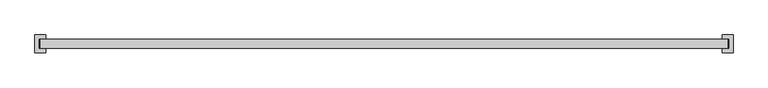
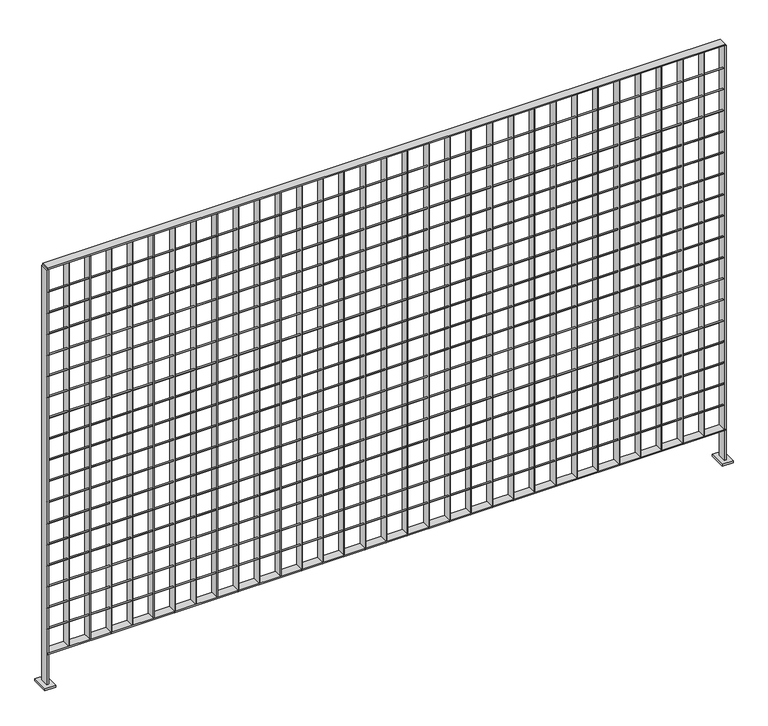
"""IFC4 building model written with IfcOpenShell, lengths in millimetres: railing geometry."""

from ifc_helpers import new_model, si_unit, point, frame, frame_2d, origin, place, context, project, spatial, polyline, circle_curve, trimmed, segment, composite_curve, outline, extrude, source, transform, mapped, element, save


def railing_413f50ad(model_context):
    return source(origin(), model_context, "Body", "SweptSolid", [
        extrude(outline(polyline([(-21413.3484548, -1094.0014627), (-21413.3484548, -1068.6014627), (-19432.1484548, -1068.6014627), (-19432.1484548, -1094.0014627), (-21413.3484548, -1094.0014627)])), frame((0.0, 0.0, 7718.510725), z_axis=(0.0, 0.0, 1.0), x_axis=(1.0, 0.0, 0.0)), (0.0, 0.0, 1.0), 3.7973),
        extrude(outline(composite_curve([segment(trimmed(circle_curve(frame_2d((-1087.6514627, 7794.625)), 2.0574), [point((-1085.5940627, 7794.625))], [point((-1089.7088627, 7794.625))], False, "CARTESIAN"), True, "CONTINUOUS"), segment(trimmed(circle_curve(frame_2d((-1087.6514627, 7794.625)), 2.0574), [point((-1089.7088627, 7794.625))], [point((-1085.5940627, 7794.625))], False, "CARTESIAN"), True, "CONTINUOUS")], self_intersect=False)), frame((-21413.3484548, 0.0, 0.0), z_axis=(1.0, 0.0, 0.0), x_axis=(0.0, 1.0, 0.0)), (0.0, 0.0, 1.0), 1981.2),
        extrude(outline(composite_curve([segment(trimmed(circle_curve(frame_2d((-1087.6514627, 7859.7125)), 2.0574), [point((-1085.5940627, 7859.7125))], [point((-1089.7088627, 7859.7125))], False, "CARTESIAN"), True, "CONTINUOUS"), segment(trimmed(circle_curve(frame_2d((-1087.6514627, 7859.7125)), 2.0574), [point((-1089.7088627, 7859.7125))], [point((-1085.5940627, 7859.7125))], False, "CARTESIAN"), True, "CONTINUOUS")], self_intersect=False)), frame((-21413.3484548, 0.0, 0.0), z_axis=(1.0, 0.0, 0.0), x_axis=(0.0, 1.0, 0.0)), (0.0, 0.0, 1.0), 1981.2),
        extrude(outline(composite_curve([segment(trimmed(circle_curve(frame_2d((-1087.6514627, 7924.8)), 2.0574), [point((-1085.5940627, 7924.8))], [point((-1089.7088627, 7924.8))], False, "CARTESIAN"), True, "CONTINUOUS"), segment(trimmed(circle_curve(frame_2d((-1087.6514627, 7924.8)), 2.0574), [point((-1089.7088627, 7924.8))], [point((-1085.5940627, 7924.8))], False, "CARTESIAN"), True, "CONTINUOUS")], self_intersect=False)), frame((-21413.3484548, 0.0, 0.0), z_axis=(1.0, 0.0, 0.0), x_axis=(0.0, 1.0, 0.0)), (0.0, 0.0, 1.0), 1981.2),
        extrude(outline(composite_curve([segment(trimmed(circle_curve(frame_2d((-1087.6514627, 7989.8875)), 2.0574), [point((-1085.5940627, 7989.8875))], [point((-1089.7088627, 7989.8875))], False, "CARTESIAN"), True, "CONTINUOUS"), segment(trimmed(circle_curve(frame_2d((-1087.6514627, 7989.8875)), 2.0574), [point((-1089.7088627, 7989.8875))], [point((-1085.5940627, 7989.8875))], False, "CARTESIAN"), True, "CONTINUOUS")], self_intersect=False)), frame((-21413.3484548, 0.0, 0.0), z_axis=(1.0, 0.0, 0.0), x_axis=(0.0, 1.0, 0.0)), (0.0, 0.0, 1.0), 1981.2),
        extrude(outline(composite_curve([segment(trimmed(circle_curve(frame_2d((-1087.6514627, 8054.975)), 2.0574), [point((-1085.5940627, 8054.975))], [point((-1089.7088627, 8054.975))], False, "CARTESIAN"), True, "CONTINUOUS"), segment(trimmed(circle_curve(frame_2d((-1087.6514627, 8054.975)), 2.0574), [point((-1089.7088627, 8054.975))], [point((-1085.5940627, 8054.975))], False, "CARTESIAN"), True, "CONTINUOUS")], self_intersect=False)), frame((-21413.3484548, 0.0, 0.0), z_axis=(1.0, 0.0, 0.0), x_axis=(0.0, 1.0, 0.0)), (0.0, 0.0, 1.0), 1981.2),
        extrude(outline(composite_curve([segment(trimmed(circle_curve(frame_2d((-1087.6514627, 8120.0625)), 2.0574), [point((-1085.5940627, 8120.0625))], [point((-1089.7088627, 8120.0625))], False, "CARTESIAN"), True, "CONTINUOUS"), segment(trimmed(circle_curve(frame_2d((-1087.6514627, 8120.0625)), 2.0574), [point((-1089.7088627, 8120.0625))], [point((-1085.5940627, 8120.0625))], False, "CARTESIAN"), True, "CONTINUOUS")], self_intersect=False)), frame((-21413.3484548, 0.0, 0.0), z_axis=(1.0, 0.0, 0.0), x_axis=(0.0, 1.0, 0.0)), (0.0, 0.0, 1.0), 1981.2),
        extrude(outline(composite_curve([segment(trimmed(circle_curve(frame_2d((-1087.6514627, 8185.15)), 2.0574), [point((-1085.5940627, 8185.15))], [point((-1089.7088627, 8185.15))], False, "CARTESIAN"), True, "CONTINUOUS"), segment(trimmed(circle_curve(frame_2d((-1087.6514627, 8185.15)), 2.0574), [point((-1089.7088627, 8185.15))], [point((-1085.5940627, 8185.15))], False, "CARTESIAN"), True, "CONTINUOUS")], self_intersect=False)), frame((-21413.3484548, 0.0, 0.0), z_axis=(1.0, 0.0, 0.0), x_axis=(0.0, 1.0, 0.0)), (0.0, 0.0, 1.0), 1981.2),
        extrude(outline(composite_curve([segment(trimmed(circle_curve(frame_2d((-1087.6514627, 8250.2375)), 2.0574), [point((-1085.5940627, 8250.2375))], [point((-1089.7088627, 8250.2375))], False, "CARTESIAN"), True, "CONTINUOUS"), segment(trimmed(circle_curve(frame_2d((-1087.6514627, 8250.2375)), 2.0574), [point((-1089.7088627, 8250.2375))], [point((-1085.5940627, 8250.2375))], False, "CARTESIAN"), True, "CONTINUOUS")], self_intersect=False)), frame((-21413.3484548, 0.0, 0.0), z_axis=(1.0, 0.0, 0.0), x_axis=(0.0, 1.0, 0.0)), (0.0, 0.0, 1.0), 1981.2),
        extrude(outline(composite_curve([segment(trimmed(circle_curve(frame_2d((-1087.6514627, 8315.325)), 2.0574), [point((-1085.5940627, 8315.325))], [point((-1089.7088627, 8315.325))], False, "CARTESIAN"), True, "CONTINUOUS"), segment(trimmed(circle_curve(frame_2d((-1087.6514627, 8315.325)), 2.0574), [point((-1089.7088627, 8315.325))], [point((-1085.5940627, 8315.325))], False, "CARTESIAN"), True, "CONTINUOUS")], self_intersect=False)), frame((-21413.3484548, 0.0, 0.0), z_axis=(1.0, 0.0, 0.0), x_axis=(0.0, 1.0, 0.0)), (0.0, 0.0, 1.0), 1981.2),
        extrude(outline(composite_curve([segment(trimmed(circle_curve(frame_2d((-1087.6514627, 8380.4125)), 2.0574), [point((-1085.5940627, 8380.4125))], [point((-1089.7088627, 8380.4125))], False, "CARTESIAN"), True, "CONTINUOUS"), segment(trimmed(circle_curve(frame_2d((-1087.6514627, 8380.4125)), 2.0574), [point((-1089.7088627, 8380.4125))], [point((-1085.5940627, 8380.4125))], False, "CARTESIAN"), True, "CONTINUOUS")], self_intersect=False)), frame((-21413.3484548, 0.0, 0.0), z_axis=(1.0, 0.0, 0.0), x_axis=(0.0, 1.0, 0.0)), (0.0, 0.0, 1.0), 1981.2),
        extrude(outline(composite_curve([segment(trimmed(circle_curve(frame_2d((-1087.6514627, 8445.5)), 2.0574), [point((-1085.5940627, 8445.5))], [point((-1089.7088627, 8445.5))], False, "CARTESIAN"), True, "CONTINUOUS"), segment(trimmed(circle_curve(frame_2d((-1087.6514627, 8445.5)), 2.0574), [point((-1089.7088627, 8445.5))], [point((-1085.5940627, 8445.5))], False, "CARTESIAN"), True, "CONTINUOUS")], self_intersect=False)), frame((-21413.3484548, 0.0, 0.0), z_axis=(1.0, 0.0, 0.0), x_axis=(0.0, 1.0, 0.0)), (0.0, 0.0, 1.0), 1981.2),
        extrude(outline(composite_curve([segment(trimmed(circle_curve(frame_2d((-1087.6514627, 8510.5875)), 2.0574), [point((-1085.5940627, 8510.5875))], [point((-1089.7088627, 8510.5875))], False, "CARTESIAN"), True, "CONTINUOUS"), segment(trimmed(circle_curve(frame_2d((-1087.6514627, 8510.5875)), 2.0574), [point((-1089.7088627, 8510.5875))], [point((-1085.5940627, 8510.5875))], False, "CARTESIAN"), True, "CONTINUOUS")], self_intersect=False)), frame((-21413.3484548, 0.0, 0.0), z_axis=(1.0, 0.0, 0.0), x_axis=(0.0, 1.0, 0.0)), (0.0, 0.0, 1.0), 1981.2),
        extrude(outline(composite_curve([segment(trimmed(circle_curve(frame_2d((-1087.6514627, 8575.675)), 2.0574), [point((-1085.5940627, 8575.675))], [point((-1089.7088627, 8575.675))], False, "CARTESIAN"), True, "CONTINUOUS"), segment(trimmed(circle_curve(frame_2d((-1087.6514627, 8575.675)), 2.0574), [point((-1089.7088627, 8575.675))], [point((-1085.5940627, 8575.675))], False, "CARTESIAN"), True, "CONTINUOUS")], self_intersect=False)), frame((-21413.3484548, 0.0, 0.0), z_axis=(1.0, 0.0, 0.0), x_axis=(0.0, 1.0, 0.0)), (0.0, 0.0, 1.0), 1981.2),
        extrude(outline(composite_curve([segment(trimmed(circle_curve(frame_2d((-1087.6514627, 8640.7625)), 2.0574), [point((-1085.5940627, 8640.7625))], [point((-1089.7088627, 8640.7625))], False, "CARTESIAN"), True, "CONTINUOUS"), segment(trimmed(circle_curve(frame_2d((-1087.6514627, 8640.7625)), 2.0574), [point((-1089.7088627, 8640.7625))], [point((-1085.5940627, 8640.7625))], False, "CARTESIAN"), True, "CONTINUOUS")], self_intersect=False)), frame((-21413.3484548, 0.0, 0.0), z_axis=(1.0, 0.0, 0.0), x_axis=(0.0, 1.0, 0.0)), (0.0, 0.0, 1.0), 1981.2),
        extrude(outline(composite_curve([segment(trimmed(circle_curve(frame_2d((-1087.6514627, 8705.85)), 2.0574), [point((-1085.5940627, 8705.85))], [point((-1089.7088627, 8705.85))], False, "CARTESIAN"), True, "CONTINUOUS"), segment(trimmed(circle_curve(frame_2d((-1087.6514627, 8705.85)), 2.0574), [point((-1089.7088627, 8705.85))], [point((-1085.5940627, 8705.85))], False, "CARTESIAN"), True, "CONTINUOUS")], self_intersect=False)), frame((-21413.3484548, 0.0, 0.0), z_axis=(1.0, 0.0, 0.0), x_axis=(0.0, 1.0, 0.0)), (0.0, 0.0, 1.0), 1981.2),
        extrude(outline(composite_curve([segment(trimmed(circle_curve(frame_2d((-1087.6514627, 8770.9375)), 2.0574), [point((-1085.5940627, 8770.9375))], [point((-1089.7088627, 8770.9375))], False, "CARTESIAN"), True, "CONTINUOUS"), segment(trimmed(circle_curve(frame_2d((-1087.6514627, 8770.9375)), 2.0574), [point((-1089.7088627, 8770.9375))], [point((-1085.5940627, 8770.9375))], False, "CARTESIAN"), True, "CONTINUOUS")], self_intersect=False)), frame((-21413.3484548, 0.0, 0.0), z_axis=(1.0, 0.0, 0.0), x_axis=(0.0, 1.0, 0.0)), (0.0, 0.0, 1.0), 1981.2),
        extrude(outline(composite_curve([segment(trimmed(circle_curve(frame_2d((-1087.6514627, 8836.025)), 2.0574), [point((-1085.5940627, 8836.025))], [point((-1089.7088627, 8836.025))], False, "CARTESIAN"), True, "CONTINUOUS"), segment(trimmed(circle_curve(frame_2d((-1087.6514627, 8836.025)), 2.0574), [point((-1089.7088627, 8836.025))], [point((-1085.5940627, 8836.025))], False, "CARTESIAN"), True, "CONTINUOUS")], self_intersect=False)), frame((-21413.3484548, 0.0, 0.0), z_axis=(1.0, 0.0, 0.0), x_axis=(0.0, 1.0, 0.0)), (0.0, 0.0, 1.0), 1981.2),
        extrude(outline(polyline([(-21413.3484548, -1094.0014627), (-21413.3484548, -1068.6014627), (-19432.1484548, -1068.6014627), (-19432.1484548, -1094.0014627), (-21413.3484548, -1094.0014627)])), frame((0.0, 0.0, 8908.73885), z_axis=(0.0, 0.0, 1.0), x_axis=(1.0, 0.0, 0.0)), (0.0, 0.0, 1.0), 3.7973),
        extrude(outline(polyline([(-19493.1122648, -1094.0014627), (-19495.0096448, -1094.0014627), (-19495.0096448, -1068.6014627), (-19493.1122648, -1068.6014627), (-19493.1122648, -1094.0014627)])), frame((0.0, 0.0, 7718.425), z_axis=(0.0, 0.0, 1.0), x_axis=(1.0, 0.0, 0.0)), (0.0, 0.0, 1.0), 1190.31385),
        extrude(outline(polyline([(-19555.0247648, -1094.0014627), (-19556.9221448, -1094.0014627), (-19556.9221448, -1068.6014627), (-19555.0247648, -1068.6014627), (-19555.0247648, -1094.0014627)])), frame((0.0, 0.0, 7718.425), z_axis=(0.0, 0.0, 1.0), x_axis=(1.0, 0.0, 0.0)), (0.0, 0.0, 1.0), 1190.31385),
        extrude(outline(polyline([(-19616.9372648, -1094.0014627), (-19618.8346448, -1094.0014627), (-19618.8346448, -1068.6014627), (-19616.9372648, -1068.6014627), (-19616.9372648, -1094.0014627)])), frame((0.0, 0.0, 7718.425), z_axis=(0.0, 0.0, 1.0), x_axis=(1.0, 0.0, 0.0)), (0.0, 0.0, 1.0), 1190.31385),
        extrude(outline(polyline([(-19678.8497648, -1094.0014627), (-19680.7471448, -1094.0014627), (-19680.7471448, -1068.6014627), (-19678.8497648, -1068.6014627), (-19678.8497648, -1094.0014627)])), frame((0.0, 0.0, 7718.425), z_axis=(0.0, 0.0, 1.0), x_axis=(1.0, 0.0, 0.0)), (0.0, 0.0, 1.0), 1190.31385),
        extrude(outline(polyline([(-19740.7622648, -1094.0014627), (-19742.6596448, -1094.0014627), (-19742.6596448, -1068.6014627), (-19740.7622648, -1068.6014627), (-19740.7622648, -1094.0014627)])), frame((0.0, 0.0, 7718.425), z_axis=(0.0, 0.0, 1.0), x_axis=(1.0, 0.0, 0.0)), (0.0, 0.0, 1.0), 1190.31385),
        extrude(outline(polyline([(-19802.6747648, -1094.0014627), (-19804.5721448, -1094.0014627), (-19804.5721448, -1068.6014627), (-19802.6747648, -1068.6014627), (-19802.6747648, -1094.0014627)])), frame((0.0, 0.0, 7718.425), z_axis=(0.0, 0.0, 1.0), x_axis=(1.0, 0.0, 0.0)), (0.0, 0.0, 1.0), 1190.31385),
        extrude(outline(polyline([(-19864.5872648, -1094.0014627), (-19866.4846448, -1094.0014627), (-19866.4846448, -1068.6014627), (-19864.5872648, -1068.6014627), (-19864.5872648, -1094.0014627)])), frame((0.0, 0.0, 7718.425), z_axis=(0.0, 0.0, 1.0), x_axis=(1.0, 0.0, 0.0)), (0.0, 0.0, 1.0), 1190.31385),
        extrude(outline(polyline([(-19926.4997648, -1094.0014627), (-19928.3971448, -1094.0014627), (-19928.3971448, -1068.6014627), (-19926.4997648, -1068.6014627), (-19926.4997648, -1094.0014627)])), frame((0.0, 0.0, 7718.425), z_axis=(0.0, 0.0, 1.0), x_axis=(1.0, 0.0, 0.0)), (0.0, 0.0, 1.0), 1190.31385),
        extrude(outline(polyline([(-19988.4122648, -1094.0014627), (-19990.3096448, -1094.0014627), (-19990.3096448, -1068.6014627), (-19988.4122648, -1068.6014627), (-19988.4122648, -1094.0014627)])), frame((0.0, 0.0, 7718.425), z_axis=(0.0, 0.0, 1.0), x_axis=(1.0, 0.0, 0.0)), (0.0, 0.0, 1.0), 1190.31385),
        extrude(outline(polyline([(-20050.3247648, -1094.0014627), (-20052.2221448, -1094.0014627), (-20052.2221448, -1068.6014627), (-20050.3247648, -1068.6014627), (-20050.3247648, -1094.0014627)])), frame((0.0, 0.0, 7718.425), z_axis=(0.0, 0.0, 1.0), x_axis=(1.0, 0.0, 0.0)), (0.0, 0.0, 1.0), 1190.31385),
        extrude(outline(polyline([(-20112.2372648, -1094.0014627), (-20114.1346448, -1094.0014627), (-20114.1346448, -1068.6014627), (-20112.2372648, -1068.6014627), (-20112.2372648, -1094.0014627)])), frame((0.0, 0.0, 7718.425), z_axis=(0.0, 0.0, 1.0), x_axis=(1.0, 0.0, 0.0)), (0.0, 0.0, 1.0), 1190.31385),
        extrude(outline(polyline([(-20174.1497648, -1094.0014627), (-20176.0471448, -1094.0014627), (-20176.0471448, -1068.6014627), (-20174.1497648, -1068.6014627), (-20174.1497648, -1094.0014627)])), frame((0.0, 0.0, 7718.425), z_axis=(0.0, 0.0, 1.0), x_axis=(1.0, 0.0, 0.0)), (0.0, 0.0, 1.0), 1190.31385),
        extrude(outline(polyline([(-20236.0622648, -1094.0014627), (-20237.9596448, -1094.0014627), (-20237.9596448, -1068.6014627), (-20236.0622648, -1068.6014627), (-20236.0622648, -1094.0014627)])), frame((0.0, 0.0, 7718.425), z_axis=(0.0, 0.0, 1.0), x_axis=(1.0, 0.0, 0.0)), (0.0, 0.0, 1.0), 1190.31385),
        extrude(outline(polyline([(-20297.9747648, -1094.0014627), (-20299.8721448, -1094.0014627), (-20299.8721448, -1068.6014627), (-20297.9747648, -1068.6014627), (-20297.9747648, -1094.0014627)])), frame((0.0, 0.0, 7718.425), z_axis=(0.0, 0.0, 1.0), x_axis=(1.0, 0.0, 0.0)), (0.0, 0.0, 1.0), 1190.31385),
        extrude(outline(polyline([(-20359.8872648, -1094.0014627), (-20361.7846448, -1094.0014627), (-20361.7846448, -1068.6014627), (-20359.8872648, -1068.6014627), (-20359.8872648, -1094.0014627)])), frame((0.0, 0.0, 7718.425), z_axis=(0.0, 0.0, 1.0), x_axis=(1.0, 0.0, 0.0)), (0.0, 0.0, 1.0), 1190.31385),
        extrude(outline(polyline([(-20421.7997648, -1094.0014627), (-20423.6971448, -1094.0014627), (-20423.6971448, -1068.6014627), (-20421.7997648, -1068.6014627), (-20421.7997648, -1094.0014627)])), frame((0.0, 0.0, 7718.425), z_axis=(0.0, 0.0, 1.0), x_axis=(1.0, 0.0, 0.0)), (0.0, 0.0, 1.0), 1190.31385),
        extrude(outline(polyline([(-20483.7122648, -1094.0014627), (-20485.6096448, -1094.0014627), (-20485.6096448, -1068.6014627), (-20483.7122648, -1068.6014627), (-20483.7122648, -1094.0014627)])), frame((0.0, 0.0, 7718.425), z_axis=(0.0, 0.0, 1.0), x_axis=(1.0, 0.0, 0.0)), (0.0, 0.0, 1.0), 1190.31385),
        extrude(outline(polyline([(-20545.6247648, -1094.0014627), (-20547.5221448, -1094.0014627), (-20547.5221448, -1068.6014627), (-20545.6247648, -1068.6014627), (-20545.6247648, -1094.0014627)])), frame((0.0, 0.0, 7718.425), z_axis=(0.0, 0.0, 1.0), x_axis=(1.0, 0.0, 0.0)), (0.0, 0.0, 1.0), 1190.31385),
        extrude(outline(polyline([(-20607.5372648, -1094.0014627), (-20609.4346448, -1094.0014627), (-20609.4346448, -1068.6014627), (-20607.5372648, -1068.6014627), (-20607.5372648, -1094.0014627)])), frame((0.0, 0.0, 7718.425), z_axis=(0.0, 0.0, 1.0), x_axis=(1.0, 0.0, 0.0)), (0.0, 0.0, 1.0), 1190.31385),
        extrude(outline(polyline([(-20669.4497648, -1094.0014627), (-20671.3471448, -1094.0014627), (-20671.3471448, -1068.6014627), (-20669.4497648, -1068.6014627), (-20669.4497648, -1094.0014627)])), frame((0.0, 0.0, 7718.425), z_axis=(0.0, 0.0, 1.0), x_axis=(1.0, 0.0, 0.0)), (0.0, 0.0, 1.0), 1190.31385),
        extrude(outline(polyline([(-20731.3622648, -1094.0014627), (-20733.2596448, -1094.0014627), (-20733.2596448, -1068.6014627), (-20731.3622648, -1068.6014627), (-20731.3622648, -1094.0014627)])), frame((0.0, 0.0, 7718.425), z_axis=(0.0, 0.0, 1.0), x_axis=(1.0, 0.0, 0.0)), (0.0, 0.0, 1.0), 1190.31385),
        extrude(outline(polyline([(-20793.2747648, -1094.0014627), (-20795.1721448, -1094.0014627), (-20795.1721448, -1068.6014627), (-20793.2747648, -1068.6014627), (-20793.2747648, -1094.0014627)])), frame((0.0, 0.0, 7718.425), z_axis=(0.0, 0.0, 1.0), x_axis=(1.0, 0.0, 0.0)), (0.0, 0.0, 1.0), 1190.31385),
        extrude(outline(polyline([(-20855.1872648, -1094.0014627), (-20857.0846448, -1094.0014627), (-20857.0846448, -1068.6014627), (-20855.1872648, -1068.6014627), (-20855.1872648, -1094.0014627)])), frame((0.0, 0.0, 7718.425), z_axis=(0.0, 0.0, 1.0), x_axis=(1.0, 0.0, 0.0)), (0.0, 0.0, 1.0), 1190.31385),
        extrude(outline(polyline([(-20917.0997648, -1094.0014627), (-20918.9971448, -1094.0014627), (-20918.9971448, -1068.6014627), (-20917.0997648, -1068.6014627), (-20917.0997648, -1094.0014627)])), frame((0.0, 0.0, 7718.425), z_axis=(0.0, 0.0, 1.0), x_axis=(1.0, 0.0, 0.0)), (0.0, 0.0, 1.0), 1190.31385),
        extrude(outline(polyline([(-20979.0122648, -1094.0014627), (-20980.9096448, -1094.0014627), (-20980.9096448, -1068.6014627), (-20979.0122648, -1068.6014627), (-20979.0122648, -1094.0014627)])), frame((0.0, 0.0, 7718.425), z_axis=(0.0, 0.0, 1.0), x_axis=(1.0, 0.0, 0.0)), (0.0, 0.0, 1.0), 1190.31385),
        extrude(outline(polyline([(-21040.9247648, -1094.0014627), (-21042.8221448, -1094.0014627), (-21042.8221448, -1068.6014627), (-21040.9247648, -1068.6014627), (-21040.9247648, -1094.0014627)])), frame((0.0, 0.0, 7718.425), z_axis=(0.0, 0.0, 1.0), x_axis=(1.0, 0.0, 0.0)), (0.0, 0.0, 1.0), 1190.31385),
        extrude(outline(polyline([(-21102.8372648, -1094.0014627), (-21104.7346448, -1094.0014627), (-21104.7346448, -1068.6014627), (-21102.8372648, -1068.6014627), (-21102.8372648, -1094.0014627)])), frame((0.0, 0.0, 7718.425), z_axis=(0.0, 0.0, 1.0), x_axis=(1.0, 0.0, 0.0)), (0.0, 0.0, 1.0), 1190.31385),
        extrude(outline(polyline([(-21164.7497648, -1094.0014627), (-21166.6471448, -1094.0014627), (-21166.6471448, -1068.6014627), (-21164.7497648, -1068.6014627), (-21164.7497648, -1094.0014627)])), frame((0.0, 0.0, 7718.425), z_axis=(0.0, 0.0, 1.0), x_axis=(1.0, 0.0, 0.0)), (0.0, 0.0, 1.0), 1190.31385),
        extrude(outline(polyline([(-21226.6622648, -1094.0014627), (-21228.5596448, -1094.0014627), (-21228.5596448, -1068.6014627), (-21226.6622648, -1068.6014627), (-21226.6622648, -1094.0014627)])), frame((0.0, 0.0, 7718.425), z_axis=(0.0, 0.0, 1.0), x_axis=(1.0, 0.0, 0.0)), (0.0, 0.0, 1.0), 1190.31385),
        extrude(outline(polyline([(-21288.5747648, -1094.0014627), (-21290.4721448, -1094.0014627), (-21290.4721448, -1068.6014627), (-21288.5747648, -1068.6014627), (-21288.5747648, -1094.0014627)])), frame((0.0, 0.0, 7718.425), z_axis=(0.0, 0.0, 1.0), x_axis=(1.0, 0.0, 0.0)), (0.0, 0.0, 1.0), 1190.31385),
        extrude(outline(polyline([(-21350.4872648, -1094.0014627), (-21352.3846448, -1094.0014627), (-21352.3846448, -1068.6014627), (-21350.4872648, -1068.6014627), (-21350.4872648, -1094.0014627)])), frame((0.0, 0.0, 7718.425), z_axis=(0.0, 0.0, 1.0), x_axis=(1.0, 0.0, 0.0)), (0.0, 0.0, 1.0), 1190.31385),
        extrude(outline(polyline([(-19435.3234548, -1068.6014627), (-19428.9734548, -1068.6014627), (-19428.9734548, -1094.0014627), (-19435.3234548, -1094.0014627), (-19435.3234548, -1068.6014627)])), frame((0.0, 0.0, 7620.0), z_axis=(0.0, 0.0, 1.0), x_axis=(1.0, 0.0, 0.0)), (0.0, 0.0, 1.0), 1288.73885),
        extrude(outline(polyline([(-19416.2734548, -1106.7014627), (-19448.0234548, -1106.7014627), (-19448.0234548, -1055.9014627), (-19416.2734548, -1055.9014627), (-19416.2734548, -1106.7014627)])), frame((0.0, 0.0, 7620.0), z_axis=(0.0, 0.0, 1.0), x_axis=(1.0, 0.0, 0.0)), (0.0, 0.0, 1.0), 6.35),
        extrude(outline(polyline([(-21416.5234548, -1068.6014627), (-21410.1734548, -1068.6014627), (-21410.1734548, -1094.0014627), (-21416.5234548, -1094.0014627), (-21416.5234548, -1068.6014627)])), frame((0.0, 0.0, 7620.0), z_axis=(0.0, 0.0, 1.0), x_axis=(1.0, 0.0, 0.0)), (0.0, 0.0, 1.0), 1288.73885),
        extrude(outline(polyline([(-21397.4734548, -1106.7014627), (-21429.2234548, -1106.7014627), (-21429.2234548, -1055.9014627), (-21397.4734548, -1055.9014627), (-21397.4734548, -1106.7014627)])), frame((0.0, 0.0, 7620.0), z_axis=(0.0, 0.0, 1.0), x_axis=(1.0, 0.0, 0.0)), (0.0, 0.0, 1.0), 6.35),
    ])


if __name__ == "__main__":
    model = new_model("IFC4")
    model_context = context("Model", 3, world=origin())
    ifc_project = project(units=[si_unit("LENGTHUNIT", "METRE", prefix="MILLI")], contexts=[model_context])
    site = spatial("IfcSite", under=ifc_project)
    building = spatial("IfcBuilding", under=site)
    placement = place(None, origin())
    railing_shape = railing_413f50ad(model_context)
    element("IfcRailing", 1, at=placement, inside=building, context=model_context, shape_type="MappedRepresentation", body=[
        mapped(railing_shape, transform((0.0, 0.0, 0.0), x_axis=(1.0, 0.0, 0.0), y_axis=(0.0, 1.0, 0.0), z_axis=(0.0, 0.0, 1.0))),
    ])
    save(model, "model.ifc")
